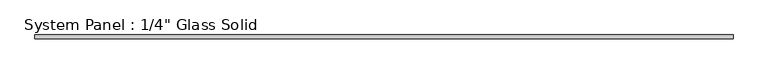
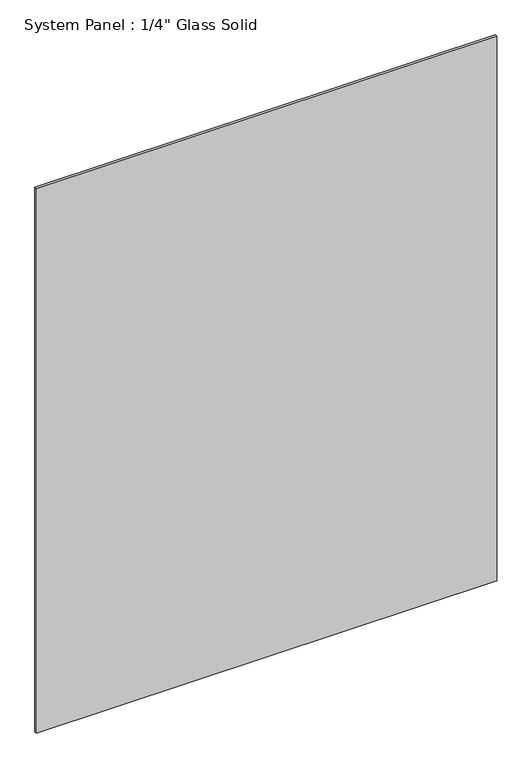
"""IFC4 building model written with IfcOpenShell, lengths in millimetres: plate geometry."""

from ifc_helpers import new_model, si_unit, origin, origin_with_axes, place, context, project, spatial, polyline, outline, extrude, source, transform, mapped, element, save


def plate_891be417(model_context):
    return source(origin(), model_context, "Body", "SweptSolid", [
        extrude(outline(polyline([(565.7305865, -3.175), (-565.7305865, -3.175), (-565.7305865, 3.175), (565.7305865, 3.175), (565.7305865, -3.175)])), origin_with_axes(), (0.0, 0.0, 1.0), 1413.6241382),
    ])


if __name__ == "__main__":
    model = new_model("IFC4")
    model_context = context("Model", 3, world=origin())
    ifc_project = project(units=[si_unit("LENGTHUNIT", "METRE", prefix="MILLI")], contexts=[model_context])
    site = spatial("IfcSite", under=ifc_project)
    building = spatial("IfcBuilding", under=site)
    placement = place(None, origin())
    plate_shape = plate_891be417(model_context)
    element("IfcPlate", 1, ObjectType="System Panel : 1/4\" Glass Solid", at=placement, inside=building, context=model_context, shape_type="MappedRepresentation", body=[
        mapped(plate_shape, transform((0.0, 0.0, 0.0), x_axis=(1.0, 0.0, 0.0), y_axis=(0.0, 1.0, 0.0), z_axis=(0.0, 0.0, 1.0))),
    ])
    save(model, "model.ifc")
